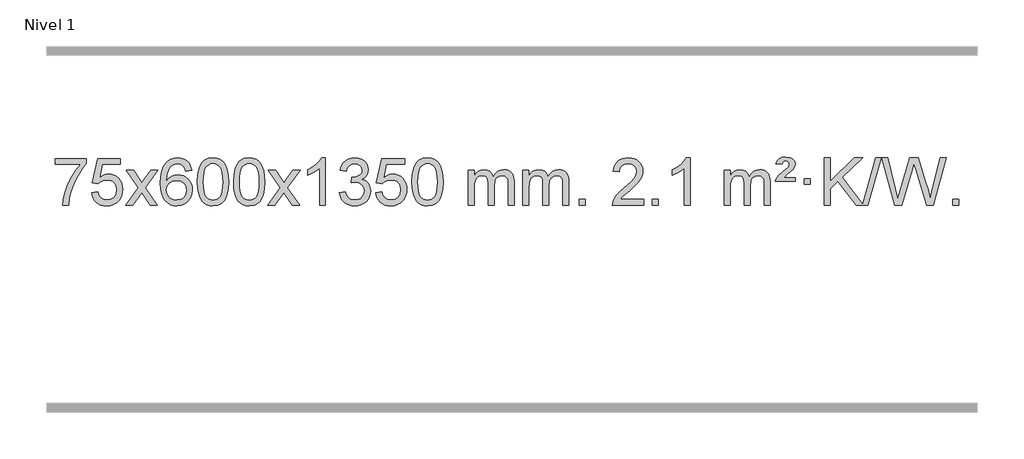
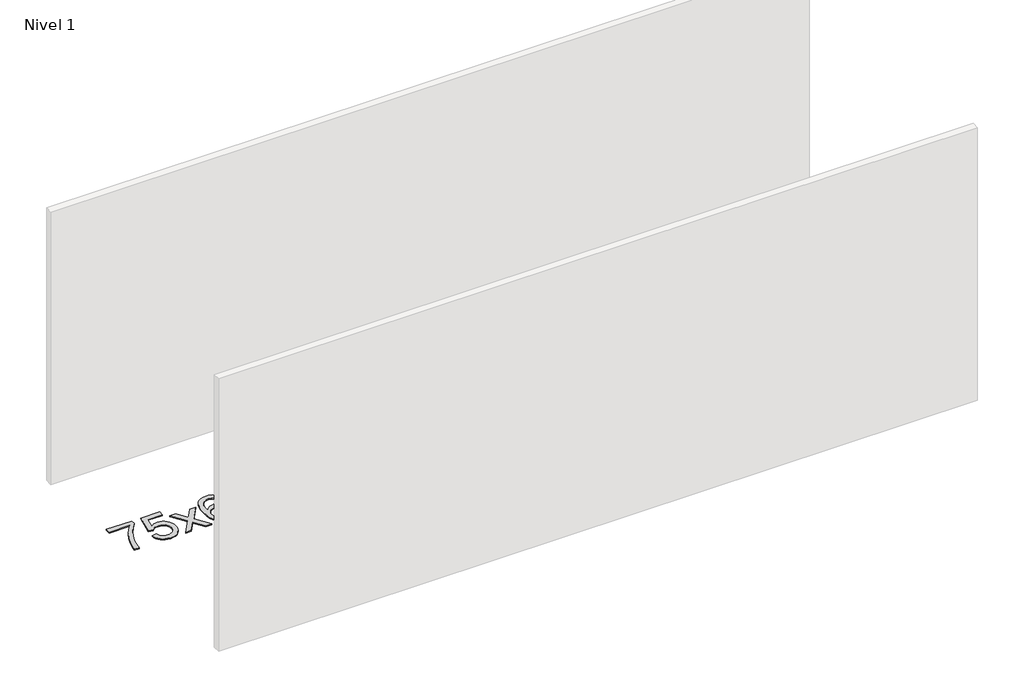
# One storey, part 11 of 16: 1 proxy.
"""IFC4 building model written with IfcOpenShell, lengths in millimetres."""

import ifcopenshell
import ifcopenshell.guid

model = None  # the IFC model being written
_history = None  # IfcOwnerHistory: only IFC2X3 demands one
_inside = {}  # id of a spatial element -> (the spatial element, [elements in it])
_under = {}  # id of a project, library or spatial element -> (it, [spatial elements below it])
_declared = {}  # id of a project -> (the project, [libraries it declares])
_typed = {}  # id of a type object -> (the type object, [elements of that type])
_made_of = {}  # id of a material, layer set ... -> (it, [elements and type objects made of it])


def new_model(schema):
    """Start an empty IFC model of exactly this schema.

    Asked for "IFC4X3", IfcOpenShell would pick the latest addendum, in which some entities
    have other attributes; the version numbers below select the first issue.
    IFC2X3 requires an IfcOwnerHistory on every rooted entity: one is made here for all.
    """
    global model, _history
    if schema == "IFC4X3":
        model = ifcopenshell.file(schema_version=(4, 3, 0, 0))
    else:
        model = ifcopenshell.file(schema=schema)
    _inside.clear()
    _under.clear()
    _declared.clear()
    _typed.clear()
    _made_of.clear()
    _history = None
    if model.schema == "IFC2X3":
        org = make("IfcOrganization", Name="unknown")
        user = make(
            "IfcPersonAndOrganization",
            ThePerson=make("IfcPerson", FamilyName="unknown"),
            TheOrganization=org,
        )
        app = make(
            "IfcApplication",
            ApplicationDeveloper=org,
            Version="unknown",
            ApplicationFullName="unknown",
            ApplicationIdentifier="unknown",
        )
        _history = make(
            "IfcOwnerHistory",
            OwningUser=user,
            OwningApplication=app,
            ChangeAction="ADDED",
            CreationDate=0,
        )
    return model


def make(cls, **values):
    """One entity of the class cls with the attributes given. An attribute that is None is left unset."""
    return model.create_entity(
        cls, **{name: value for name, value in values.items() if value is not None}
    )


def rooted(cls, **values):
    """An entity with a GlobalId (a new one), such as an element, a storey or a relation."""
    return make(cls, GlobalId=ifcopenshell.guid.new(), OwnerHistory=_history, **values)


def si_unit(unit_type, name, prefix=None):
    """IfcSIUnit, for example si_unit("LENGTHUNIT", "METRE", prefix="MILLI")."""
    return make("IfcSIUnit", UnitType=unit_type, Prefix=prefix, Name=name)


def assignment(units):
    """IfcUnitAssignment: the units of a project."""
    return None if units is None else make("IfcUnitAssignment", Units=units)


def point(xyz):
    """IfcCartesianPoint."""
    return None if xyz is None else make("IfcCartesianPoint", Coordinates=xyz)


def direction(xyz):
    """IfcDirection."""
    return None if xyz is None else make("IfcDirection", DirectionRatios=xyz)


def frame(location, z_axis=None, x_axis=None):
    """IfcAxis2Placement3D, a coordinate frame: its origin and axes. An axis left out is left unset."""
    return make(
        "IfcAxis2Placement3D",
        Location=point(location),
        Axis=direction(z_axis),
        RefDirection=direction(x_axis),
    )


def origin():
    """The frame at (0, 0, 0) with its axes left unset."""
    return frame((0.0, 0.0, 0.0))


def origin_with_axes():
    """The frame at (0, 0, 0) with the z axis (0, 0, 1) and the x axis (1, 0, 0) written out."""
    return frame((0.0, 0.0, 0.0), z_axis=(0.0, 0.0, 1.0), x_axis=(1.0, 0.0, 0.0))


def place(relative_to, where):
    """IfcLocalPlacement: puts the frame where relative to a parent placement (None: the world)."""
    return make(
        "IfcLocalPlacement", PlacementRelTo=relative_to, RelativePlacement=where
    )


def context(
    kind, dimensions, precision=None, world=None, true_north=None, identifier=None
):
    """IfcGeometricRepresentationContext, for example the 3D "Model" context."""
    return make(
        "IfcGeometricRepresentationContext",
        ContextIdentifier=identifier,
        ContextType=kind,
        CoordinateSpaceDimension=dimensions,
        Precision=precision,
        WorldCoordinateSystem=world,
        TrueNorth=true_north,
    )


def project(units=None, contexts=None):
    """IfcProject with its units and contexts."""
    return rooted(
        "IfcProject",
        Name="project",
        RepresentationContexts=contexts,
        UnitsInContext=assignment(units),
    )


def spatial(cls, under=None, at=None, **own):
    """A site, building, storey or space (cls), placed at a placement, below another one or the project."""
    s = rooted(cls, ObjectPlacement=at, **own)
    if under is not None:
        _under.setdefault(under.id(), (under, []))[1].append(s)
    return s


def polyline(points):
    """IfcPolyline through the points."""
    return make("IfcPolyline", Points=[point(p) for p in points])


def outline(outer, holes=None, kind="AREA"):
    """IfcArbitraryClosedProfileDef: a profile drawn as a closed curve; with holes, ...WithVoids."""
    if holes is None:
        return make("IfcArbitraryClosedProfileDef", ProfileType=kind, OuterCurve=outer)
    return make(
        "IfcArbitraryProfileDefWithVoids",
        ProfileType=kind,
        OuterCurve=outer,
        InnerCurves=holes,
    )


def extrude(swept, where, along, depth):
    """IfcExtrudedAreaSolid: the profile swept, set in the frame where, extruded along a direction by depth."""
    return make(
        "IfcExtrudedAreaSolid",
        SweptArea=swept,
        Position=where,
        ExtrudedDirection=direction(along),
        Depth=depth,
    )


def shape(context_of_items, identifier, shape_type, items):
    """IfcShapeRepresentation: the items that make up one representation, for example the "Body"."""
    return make(
        "IfcShapeRepresentation",
        ContextOfItems=context_of_items,
        RepresentationIdentifier=identifier,
        RepresentationType=shape_type,
        Items=items,
    )


def made_of(thing, what):
    """Note that an element or type object is made of a material, layer set ...; save() writes the relation."""
    if what is not None:
        _made_of.setdefault(what.id(), (what, []))[1].append(thing)
    return thing


def element(
    cls,
    number,
    at=None,
    inside=None,
    cuts=None,
    type_object=None,
    material=None,
    context=None,
    identifier="Body",
    shape_type=None,
    held_by="IfcProductDefinitionShape",
    body=None,
    shapes=None,
    **own,
):
    """One element of the class cls, such as IfcWall. Its Tag is "e" and its number.

    at: its placement. inside: the storey or other place that contains it. cuts: it is an
    opening in that element (IfcRelVoidsElement). A single representation is given by context,
    identifier, shape_type and body (its items); several are given by shapes. held_by: the class
    of the entity that holds the representations. save() writes the other relations.
    """
    e = rooted(cls, Tag="e%d" % number, ObjectPlacement=at, **own)
    if body is not None:
        shapes = [shape(context, identifier, shape_type, body)]
    if shapes is not None:
        e.Representation = make(held_by, Representations=shapes)
    if inside is not None:
        _inside.setdefault(inside.id(), (inside, []))[1].append(e)
    if cuts is not None:
        rooted(
            "IfcRelVoidsElement", RelatingBuildingElement=cuts, RelatedOpeningElement=e
        )
    if type_object is not None:
        _typed.setdefault(type_object.id(), (type_object, []))[1].append(e)
    return made_of(e, material)


def aggregate(whole, parts):
    """IfcRelAggregates: a whole, such as a stair, and the parts it consists of."""
    return rooted("IfcRelAggregates", RelatingObject=whole, RelatedObjects=parts)


def save(model, path):
    """Write the relations noted so far, then the file.

    IfcRelAggregates (storeys below a building ...), IfcRelContainedInSpatialStructure (elements
    in a storey), IfcRelDefinesByType, IfcRelAssociatesMaterial and IfcRelDeclares: one each for
    every whole, place, type object, material and project.
    """
    for whole, parts in _under.values():
        aggregate(whole, parts)
    for where, things in _inside.values():
        rooted(
            "IfcRelContainedInSpatialStructure",
            RelatedElements=things,
            RelatingStructure=where,
        )
    for kind, things in _typed.values():
        rooted("IfcRelDefinesByType", RelatedObjects=things, RelatingType=kind)
    for what, things in _made_of.values():
        rooted("IfcRelAssociatesMaterial", RelatedObjects=things, RelatingMaterial=what)
    for by, libraries in _declared.values():
        rooted("IfcRelDeclares", RelatingContext=by, RelatedDefinitions=libraries)
    model.write(path)


model = new_model("IFC4")

# Units and contexts
model_context = context("Model", 3, world=origin())
ifc_project = project(units=[si_unit("LENGTHUNIT", "METRE", prefix="MILLI")], contexts=[model_context])

# Site, building, storey
site = spatial("IfcSite", under=ifc_project)
building = spatial("IfcBuilding", under=site)
storey = spatial("IfcBuildingStorey", under=building, Name="Nivel 1", Elevation=0.0)

# Proxy
placement = place(None, origin())
element("IfcBuildingElementProxy", 1, Name="Texto de modelo 1", ObjectType="Texto de modelo 1", at=placement, inside=storey, context=model_context, shape_type="SweptSolid", body=[
    extrude(outline(polyline([(-156.1697105, -9075.2608869), (-156.1697105, -9025.0327318), (107.5281037, -9025.0327318), (107.5281037, -9065.646904), (69.9428265, -9113.214046), (32.7254313, -9173.7061088), (-0.1019054, -9241.6048623), (-24.5170071, -9311.3920768), (-36.4854347, -9363.6067947), (-43.1563615, -9420.579453), (-93.3845166, -9420.579453), (-87.9521258, -9368.8061935), (-73.420787, -9307.2717985), (-50.1829077, -9242.0463207), (-18.6308952, -9179.1998132), (18.2063553, -9122.3865704), (57.2999486, -9075.2608869), (-156.1697105, -9075.2608869)])), origin_with_axes(), (0.0, 0.0, 1.0), 10.0),
    extrude(outline(polyline([(151.4777394, -9313.8446235), (201.7058944, -9307.5661041), (210.9274698, -9337.7201649), (227.0161757, -9359.3148381), (249.8984358, -9372.3010725), (279.5006737, -9376.6298173), (298.6305374, -9375.1245668), (315.5040583, -9370.6088153), (330.1212362, -9363.0825628), (342.4820713, -9352.5458094), (352.3106519, -9339.519721), (359.3310666, -9324.5254641), (364.9473984, -9288.6324441), (359.6866859, -9254.8363514), (353.1107952, -9240.9181493), (343.9045483, -9228.9865099), (332.0372883, -9219.4154467), (317.4783583, -9212.5789729), (280.2854886, -9207.1097939), (255.9194378, -9209.2925604), (236.1887001, -9215.8408599), (220.431088, -9225.8717757), (207.9844138, -9238.5023908), (157.7562588, -9232.2238715), (201.7058944, -9025.0327318), (396.3399954, -9025.0327318), (396.3399954, -9075.2608869), (242.3200667, -9075.2608869), (220.8357582, -9185.919791), (238.561539, -9173.2155994), (256.7165155, -9164.1411769), (275.3006876, -9158.6965234), (294.3140554, -9156.8816388), (318.7751424, -9159.1318504), (341.2435352, -9165.882485), (361.7192339, -9177.1335427), (380.2022385, -9192.8850234), (395.5030638, -9212.1743027), (406.4322248, -9234.038756), (412.9897213, -9258.4783832), (415.1755535, -9285.4931844), (413.2073848, -9311.5147042), (407.3028788, -9335.7213394), (397.4620354, -9358.1130902), (383.6848547, -9378.6899565), (362.8136829, -9399.7634634), (338.4598948, -9414.8159684), (310.6234905, -9423.8474714), (279.30447, -9426.8579724), (253.3841177, -9424.9235262), (229.9714944, -9419.1201877), (209.0666, -9409.447957), (190.6694346, -9395.9068338), (175.3624779, -9379.1712688), (163.7282098, -9359.915712), (155.7666303, -9338.1401636), (151.4777394, -9313.8446235)])), origin_with_axes(), (0.0, 0.0, 1.0), 10.0),
    extrude(outline(polyline([(440.2896311, -9420.579453), (547.6130718, -9272.2494325), (446.5681504, -9125.4890419), (506.9988995, -9125.4890419), (555.7555266, -9196.122385), (578.5151594, -9229.4770192), (598.2336343, -9202.2047007), (653.7592901, -9125.4890419), (714.1900392, -9125.4890419), (608.0438209, -9272.2494325), (710.2659646, -9420.579453), (649.8352155, -9420.579453), (588.3253459, -9331.4048574), (577.0436314, -9315.1199477), (500.7203801, -9420.579453), (440.2896311, -9420.579453)])), origin_with_axes(), (0.0, 0.0, 1.0), 10.0),
    extrude(outline(polyline([(999.0778563, -9125.4890419), (948.8497012, -9131.7675613), (940.7562973, -9106.874213), (929.8179393, -9089.8780648), (907.0337811, -9074.2062918), (879.4916824, -9068.9823675), (856.1434384, -9072.0235253), (834.1686206, -9081.1469988), (815.2962742, -9100.3627017), (799.8820186, -9126.8134171), (789.4709581, -9164.227016), (785.6081972, -9216.3313693), (805.7558678, -9192.8237098), (829.9011894, -9176.2567573), (856.6952614, -9166.434308), (884.7891831, -9163.1601582), (908.922242, -9165.398107), (931.1913654, -9172.1119534), (951.5965534, -9183.3016975), (970.137806, -9198.9673391), (985.5459302, -9218.1769106), (996.5517332, -9239.9984443), (1003.155215, -9264.4319401), (1005.3563756, -9291.4773982), (1001.2115718, -9327.4439945), (988.7771604, -9360.786366), (969.0832109, -9389.0642287), (943.159793, -9409.8372987), (912.184129, -9422.602804), (877.3334413, -9426.8579724), (847.3909126, -9424.0375437), (820.3485203, -9415.5762579), (796.2062643, -9401.4741147), (774.9641448, -9381.7311143), (757.6460999, -9355.5133908), (745.2760678, -9321.9870783), (737.8540485, -9281.1521768), (735.3800421, -9233.0086864), (738.1268943, -9179.0342663), (746.367451, -9132.9693092), (760.1017122, -9094.8138149), (779.3296778, -9064.5677835), (800.1701928, -9044.5243462), (824.3339085, -9030.2076052), (851.820825, -9021.6175606), (882.6309421, -9018.7542124), (905.7645882, -9020.5261773), (926.7032051, -9025.8420722), (945.4467927, -9034.7018969), (961.9953511, -9047.1056515), (975.9012906, -9062.6364031), (986.7170212, -9080.8772186), (994.4425431, -9101.8280983), (999.0778563, -9125.4890419)]), holes=[polyline([(785.6081972, -9290.6925832), (788.514465, -9312.9494439), (797.2332682, -9334.2007605), (810.7713257, -9352.472233), (828.1353558, -9365.7895612), (849.0923668, -9373.9197533), (873.4093667, -9376.6298173), (906.5555345, -9371.0134855), (920.4706709, -9363.9930708), (932.6138425, -9354.1644901), (942.4638829, -9341.9262824), (949.499626, -9327.6769865), (955.1282206, -9293.1451299), (949.5732024, -9259.9989621), (942.6294298, -9246.3781312), (932.9081481, -9234.725469), (920.7281883, -9225.3904634), (906.4083817, -9218.7226022), (871.3492275, -9213.3883133), (838.2521107, -9218.7226022), (810.5751219, -9234.725469), (799.6520924, -9246.2248471), (791.8499284, -9259.3858254), (787.16863, -9274.2084042), (785.6081972, -9290.6925832)])]), origin_with_axes(), (0.0, 0.0, 1.0), 10.0),
    extrude(outline(polyline([(1049.3060113, -9222.9041943), (1052.997094, -9158.5861588), (1064.0703421, -9107.2911459), (1082.4153909, -9068.2343407), (1094.2734539, -9053.0009605), (1107.9218759, -9040.6309284), (1123.4066422, -9031.0598651), (1140.7737381, -9024.2233914), (1181.1549184, -9018.7542124), (1212.1060569, -9021.991574), (1239.8198339, -9031.7036586), (1262.9963996, -9047.5103217), (1280.3359043, -9069.0314184), (1293.4325033, -9096.0830078), (1303.880352, -9128.4811488), (1310.7229571, -9169.6226186), (1313.0038255, -9222.9041943), (1309.349531, -9286.8543477), (1298.3866475, -9338.0267333), (1280.1519633, -9377.1203266), (1268.3214915, -9392.3996922), (1254.6822665, -9404.8341036), (1239.1791061, -9414.4695462), (1221.7568279, -9421.3520052), (1181.1549184, -9426.8579724), (1153.4901924, -9424.4667394), (1128.964726, -9417.2930405), (1107.5785194, -9405.3368757), (1089.3315724, -9388.5982449), (1071.8203894, -9358.3399508), (1059.3124016, -9320.6381776), (1051.8076089, -9275.4929255), (1049.3060113, -9222.9041943)]), holes=[polyline([(1099.5341664, -9222.8060924), (1101.0056944, -9266.4706195), (1105.4202783, -9301.8148822), (1112.7779182, -9328.8388804), (1123.0786141, -9347.5426142), (1135.537551, -9360.2682656), (1149.369914, -9369.3580165), (1164.5757032, -9374.8118671), (1181.1549184, -9376.6298173), (1197.7341337, -9374.8057357), (1212.9399228, -9369.3334911), (1226.7722858, -9360.2130833), (1239.2312227, -9347.4445124), (1249.5319186, -9328.7101217), (1256.8895585, -9301.6922549), (1261.3041424, -9266.3909118), (1262.7756704, -9222.8060924), (1261.3531934, -9180.2973278), (1257.0857622, -9145.5753989), (1249.973377, -9118.6403055), (1240.0160376, -9099.4920476), (1227.7655672, -9086.1440625), (1213.7737886, -9076.6097875), (1198.040702, -9070.8892225), (1180.5663072, -9068.9823675), (1164.0729311, -9070.6623619), (1149.1246594, -9075.7023452), (1135.721492, -9084.1023175), (1123.863429, -9095.8622786), (1113.2193766, -9116.708925), (1105.6164821, -9144.8151094), (1101.0547453, -9180.1808319), (1099.5341664, -9222.8060924)])]), origin_with_axes(), (0.0, 0.0, 1.0), 10.0),
    extrude(outline(polyline([(1356.9534612, -9222.9041943), (1360.6445439, -9158.5861588), (1371.7177919, -9107.2911459), (1390.0628407, -9068.2343407), (1401.9209037, -9053.0009605), (1415.5693257, -9040.6309284), (1431.054092, -9031.0598651), (1448.4211879, -9024.2233914), (1488.8023682, -9018.7542124), (1519.7535068, -9021.991574), (1547.4672837, -9031.7036586), (1570.6438494, -9047.5103217), (1587.9833541, -9069.0314184), (1601.0799532, -9096.0830078), (1611.5278018, -9128.4811488), (1618.3704069, -9169.6226186), (1620.6512753, -9222.9041943), (1616.9969808, -9286.8543477), (1606.0340974, -9338.0267333), (1587.7994131, -9377.1203266), (1575.9689413, -9392.3996922), (1562.3297163, -9404.8341036), (1546.8265559, -9414.4695462), (1529.4042778, -9421.3520052), (1488.8023682, -9426.8579724), (1461.1376422, -9424.4667394), (1436.6121759, -9417.2930405), (1415.2259692, -9405.3368757), (1396.9790222, -9388.5982449), (1379.4678393, -9358.3399508), (1366.9598514, -9320.6381776), (1359.4550587, -9275.4929255), (1356.9534612, -9222.9041943)]), holes=[polyline([(1407.1816162, -9222.8060924), (1408.6531442, -9266.4706195), (1413.0677282, -9301.8148822), (1420.4253681, -9328.8388804), (1430.7260639, -9347.5426142), (1443.1850008, -9360.2682656), (1457.0173639, -9369.3580165), (1472.223153, -9374.8118671), (1488.8023682, -9376.6298173), (1505.3815835, -9374.8057357), (1520.5873726, -9369.3334911), (1534.4197356, -9360.2130833), (1546.8786725, -9347.4445124), (1557.1793684, -9328.7101217), (1564.5370083, -9301.6922549), (1568.9515923, -9266.3909118), (1570.4231202, -9222.8060924), (1569.0006432, -9180.2973278), (1564.733212, -9145.5753989), (1557.6208268, -9118.6403055), (1547.6634875, -9099.4920476), (1535.413017, -9086.1440625), (1521.4212385, -9076.6097875), (1505.6881518, -9070.8892225), (1488.213757, -9068.9823675), (1471.7203809, -9070.6623619), (1456.7721092, -9075.7023452), (1443.3689418, -9084.1023175), (1431.5108789, -9095.8622786), (1420.8668265, -9116.708925), (1413.2639319, -9144.8151094), (1408.7021952, -9180.1808319), (1407.1816162, -9222.8060924)])]), origin_with_axes(), (0.0, 0.0, 1.0), 10.0),
    extrude(outline(polyline([(1645.7653528, -9420.579453), (1753.0887936, -9272.2494325), (1652.0438722, -9125.4890419), (1712.4746213, -9125.4890419), (1761.2312484, -9196.122385), (1783.9908812, -9229.4770192), (1803.7093561, -9202.2047007), (1859.2350119, -9125.4890419), (1919.665761, -9125.4890419), (1813.5195426, -9272.2494325), (1915.7416864, -9420.579453), (1855.3109373, -9420.579453), (1793.8010677, -9331.4048574), (1782.5193532, -9315.1199477), (1706.1961019, -9420.579453), (1645.7653528, -9420.579453)])), origin_with_axes(), (0.0, 0.0, 1.0), 10.0),
    extrude(outline(polyline([(2135.4898648, -9420.579453), (2085.2617098, -9420.579453), (2085.2617098, -9107.4382987), (2064.292436, -9124.3976587), (2037.682305, -9141.3324932), (1984.8053996, -9166.6918254), (1984.8053996, -9119.2105225), (2024.2546122, -9097.7507395), (2058.4308496, -9072.219729), (2085.3720743, -9045.0700378), (2103.1162492, -9018.7542124), (2135.4898648, -9018.7542124), (2135.4898648, -9420.579453)])), origin_with_axes(), (0.0, 0.0, 1.0), 10.0),
    extrude(outline(polyline([(2254.7817331, -9313.8446235), (2305.0098882, -9307.5661041), (2316.2548145, -9339.1303793), (2332.7236652, -9360.4430095), (2355.2257805, -9372.5831154), (2384.570501, -9376.6298173), (2419.0042558, -9371.0625364), (2433.2780772, -9364.1034354), (2445.5898613, -9354.3606939), (2462.5860095, -9329.4428201), (2468.2513922, -9299.2274455), (2462.6350604, -9270.5449126), (2445.786065, -9247.2825078), (2420.27958, -9231.8682522), (2388.6907794, -9226.730167), (2353.4722097, -9232.2238715), (2359.064016, -9181.9957164), (2367.108369, -9182.5843276), (2397.2011162, -9178.979084), (2424.1055528, -9168.1633534), (2435.1788008, -9159.9841103), (2443.0882637, -9149.8673555), (2447.8339415, -9137.8130888), (2449.415834, -9123.8213102), (2444.8295718, -9102.1285352), (2431.0707852, -9084.5315131), (2410.076986, -9072.8696539), (2383.7856861, -9068.9823675), (2357.4453352, -9072.9064421), (2335.9119758, -9084.6786659), (2320.1911519, -9104.299039), (2311.2884076, -9131.7675613), (2261.0602525, -9125.4890419), (2267.0138095, -9101.5092672), (2275.8491087, -9080.3867093), (2287.5661503, -9062.1213683), (2302.1649341, -9046.713244), (2319.1856078, -9034.4811677), (2338.1683187, -9025.7439703), (2359.113067, -9020.5016519), (2382.0198525, -9018.7542124), (2413.5963904, -9022.2000404), (2442.5977544, -9032.5375245), (2467.0496443, -9048.8469596), (2484.9777602, -9070.2086408), (2495.9774319, -9094.8199463), (2499.6439891, -9120.8782543), (2496.1613729, -9145.1584659), (2485.7135242, -9167.1823347), (2468.4475959, -9185.9443165), (2444.5107408, -9200.4388671), (2475.9523886, -9213.1430586), (2499.2515817, -9234.77452), (2513.6725559, -9264.1560286), (2518.4795473, -9300.1103623), (2516.0760516, -9325.5923218), (2508.8655645, -9349.0631931), (2496.848086, -9370.5229762), (2480.023616, -9389.971671), (2459.5264575, -9406.1094278), (2436.4909133, -9417.636397), (2410.9169832, -9424.5525785), (2382.8046674, -9426.8579724), (2357.3962843, -9424.8898037), (2334.2442441, -9418.9852977), (2313.3485468, -9409.1444543), (2294.7091923, -9395.3672736), (2279.0803389, -9378.4630959), (2267.2161446, -9359.2412617), (2259.1166093, -9337.7017708), (2254.7817331, -9313.8446235)])), origin_with_axes(), (0.0, 0.0, 1.0), 10.0),
    extrude(outline(polyline([(2562.429183, -9313.8446235), (2612.657338, -9307.5661041), (2621.8789134, -9337.7201649), (2637.9676193, -9359.3148381), (2660.8498794, -9372.3010725), (2690.4521173, -9376.6298173), (2709.581981, -9375.1245668), (2726.4555019, -9370.6088153), (2741.0726798, -9363.0825628), (2753.4335149, -9352.5458094), (2763.2620955, -9339.519721), (2770.2825102, -9324.5254641), (2775.898842, -9288.6324441), (2770.6381295, -9254.8363514), (2764.0622388, -9240.9181493), (2754.8559919, -9228.9865099), (2742.9887319, -9219.4154467), (2728.4298019, -9212.5789729), (2691.2369322, -9207.1097939), (2666.8708814, -9209.2925604), (2647.1401437, -9215.8408599), (2631.3825316, -9225.8717757), (2618.9358574, -9238.5023908), (2568.7077023, -9232.2238715), (2612.657338, -9025.0327318), (2807.291439, -9025.0327318), (2807.291439, -9075.2608869), (2653.2715103, -9075.2608869), (2631.7872018, -9185.919791), (2649.5129826, -9173.2155994), (2667.667959, -9164.1411769), (2686.2521312, -9158.6965234), (2705.265499, -9156.8816388), (2729.726586, -9159.1318504), (2752.1949788, -9165.882485), (2772.6706775, -9177.1335427), (2791.1536821, -9192.8850234), (2806.4545074, -9212.1743027), (2817.3836684, -9234.038756), (2823.9411649, -9258.4783832), (2826.1269971, -9285.4931844), (2824.1588284, -9311.5147042), (2818.2543224, -9335.7213394), (2808.413479, -9358.1130902), (2794.6362983, -9378.6899565), (2773.7651265, -9399.7634634), (2749.4113384, -9414.8159684), (2721.5749341, -9423.8474714), (2690.2559136, -9426.8579724), (2664.3355613, -9424.9235262), (2640.922938, -9419.1201877), (2620.0180436, -9409.447957), (2601.6208782, -9395.9068338), (2586.3139215, -9379.1712688), (2574.6796534, -9359.915712), (2566.7180739, -9338.1401636), (2562.429183, -9313.8446235)])), origin_with_axes(), (0.0, 0.0, 1.0), 10.0),
    extrude(outline(polyline([(2870.0766328, -9222.9041943), (2873.7677155, -9158.5861588), (2884.8409635, -9107.2911459), (2903.1860124, -9068.2343407), (2915.0440753, -9053.0009605), (2928.6924974, -9040.6309284), (2944.1772637, -9031.0598651), (2961.5443595, -9024.2233914), (3001.9255399, -9018.7542124), (3032.8766784, -9021.991574), (3060.5904554, -9031.7036586), (3083.7670211, -9047.5103217), (3101.1065258, -9069.0314184), (3114.2031248, -9096.0830078), (3124.6509735, -9128.4811488), (3131.4935786, -9169.6226186), (3133.7744469, -9222.9041943), (3130.1201525, -9286.8543477), (3119.157269, -9338.0267333), (3100.9225848, -9377.1203266), (3089.0921129, -9392.3996922), (3075.452888, -9404.8341036), (3059.9497276, -9414.4695462), (3042.5274494, -9421.3520052), (3001.9255399, -9426.8579724), (2974.2608138, -9424.4667394), (2949.7353475, -9417.2930405), (2928.3491408, -9405.3368757), (2910.1021939, -9388.5982449), (2892.5910109, -9358.3399508), (2880.0830231, -9320.6381776), (2872.5782304, -9275.4929255), (2870.0766328, -9222.9041943)]), holes=[polyline([(2920.3047879, -9222.8060924), (2921.7763158, -9266.4706195), (2926.1908998, -9301.8148822), (2933.5485397, -9328.8388804), (2943.8492356, -9347.5426142), (2956.3081725, -9360.2682656), (2970.1405355, -9369.3580165), (2985.3463246, -9374.8118671), (3001.9255399, -9376.6298173), (3018.5047551, -9374.8057357), (3033.7105442, -9369.3334911), (3047.5429073, -9360.2130833), (3060.0018442, -9347.4445124), (3070.30254, -9328.7101217), (3077.6601799, -9301.6922549), (3082.0747639, -9266.3909118), (3083.5462919, -9222.8060924), (3082.1238148, -9180.2973278), (3077.8563837, -9145.5753989), (3070.7439984, -9118.6403055), (3060.7866591, -9099.4920476), (3048.5361887, -9086.1440625), (3034.5444101, -9076.6097875), (3018.8113234, -9070.8892225), (3001.3369287, -9068.9823675), (2984.8435526, -9070.6623619), (2969.8952808, -9075.7023452), (2956.4921135, -9084.1023175), (2944.6340505, -9095.8622786), (2933.9899981, -9116.708925), (2926.3871035, -9144.8151094), (2921.8253668, -9180.1808319), (2920.3047879, -9222.8060924)])]), origin_with_axes(), (0.0, 0.0, 1.0), 10.0),
    extrude(outline(polyline([(3347.244106, -9420.579453), (3347.244106, -9125.4890419), (3397.4722611, -9125.4890419), (3397.4722611, -9174.0494653), (3412.5799483, -9151.7435537), (3432.0041177, -9134.2691589), (3455.0825815, -9122.9751816), (3481.1531522, -9119.2105225), (3509.0876584, -9123.048758), (3531.4794092, -9134.5634645), (3548.2057772, -9152.9943524), (3559.1441352, -9177.5811324), (3577.4523959, -9152.0439906), (3598.3358304, -9133.803175), (3621.794439, -9122.8586857), (3647.8282215, -9119.2105225), (3667.9360383, -9120.7280358), (3685.585177, -9125.2805755), (3700.7756377, -9132.8681416), (3713.5074204, -9143.4907342), (3723.5720587, -9157.2709806), (3730.761086, -9174.3315082), (3735.0745024, -9194.6723168), (3736.5123078, -9218.2934066), (3736.5123078, -9420.579453), (3686.2841528, -9420.579453), (3686.2841528, -9239.875817), (3685.1191931, -9214.8230531), (3681.6243142, -9197.9372695), (3675.0760146, -9186.3735121), (3664.7507933, -9177.2868268), (3651.4702533, -9171.4007149), (3636.0559977, -9169.4386776), (3608.8449928, -9174.4663982), (3586.6617085, -9189.54956), (3578.0563355, -9201.1194488), (3571.9096405, -9215.7182326), (3566.9922845, -9254.0024856), (3566.9922845, -9420.579453), (3516.7641294, -9420.579453), (3516.7641294, -9234.2840106), (3513.8578616, -9205.8835206), (3505.1390583, -9185.6254854), (3489.7983791, -9173.4853796), (3467.0264836, -9169.4386776), (3447.6758907, -9172.1364789), (3429.8458767, -9180.2298828), (3415.1305968, -9193.5226856), (3405.1242066, -9211.8186835), (3399.3852475, -9237.2025411), (3397.4722611, -9271.7589232), (3397.4722611, -9420.579453), (3347.244106, -9420.579453)])), origin_with_axes(), (0.0, 0.0, 1.0), 10.0),
    extrude(outline(polyline([(3811.8545404, -9420.579453), (3811.8545404, -9125.4890419), (3862.0826955, -9125.4890419), (3862.0826955, -9174.0494653), (3877.1903828, -9151.7435537), (3896.6145521, -9134.2691589), (3919.693016, -9122.9751816), (3945.7635867, -9119.2105225), (3973.6980929, -9123.048758), (3996.0898436, -9134.5634645), (4012.8162117, -9152.9943524), (4023.7545697, -9177.5811324), (4042.0628303, -9152.0439906), (4062.9462649, -9133.803175), (4086.4048734, -9122.8586857), (4112.438656, -9119.2105225), (4132.5464727, -9120.7280358), (4150.1956114, -9125.2805755), (4165.3860721, -9132.8681416), (4178.1178548, -9143.4907342), (4188.1824931, -9157.2709806), (4195.3715204, -9174.3315082), (4199.6849368, -9194.6723168), (4201.1227423, -9218.2934066), (4201.1227423, -9420.579453), (4150.8945872, -9420.579453), (4150.8945872, -9239.875817), (4149.7296276, -9214.8230531), (4146.2347486, -9197.9372695), (4139.6864491, -9186.3735121), (4129.3612278, -9177.2868268), (4116.0806877, -9171.4007149), (4100.6664321, -9169.4386776), (4073.4554272, -9174.4663982), (4051.2721429, -9189.54956), (4042.6667699, -9201.1194488), (4036.5200749, -9215.7182326), (4031.6027189, -9254.0024856), (4031.6027189, -9420.579453), (3981.3745638, -9420.579453), (3981.3745638, -9234.2840106), (3978.4682961, -9205.8835206), (3969.7494928, -9185.6254854), (3954.4088136, -9173.4853796), (3931.6369181, -9169.4386776), (3912.2863251, -9172.1364789), (3894.4563111, -9180.2298828), (3879.7410313, -9193.5226856), (3869.734641, -9211.8186835), (3863.9956819, -9237.2025411), (3862.0826955, -9271.7589232), (3862.0826955, -9420.579453), (3811.8545404, -9420.579453)])), origin_with_axes(), (0.0, 0.0, 1.0), 10.0),
    extrude(outline(polyline([(4289.0220137, -9420.579453), (4289.0220137, -9370.3512979), (4339.2501687, -9370.3512979), (4339.2501687, -9420.579453), (4289.0220137, -9420.579453)])), origin_with_axes(), (0.0, 0.0, 1.0), 10.0),
    extrude(outline(polyline([(4835.2532001, -9370.3512979), (4835.2532001, -9420.579453), (4571.555386, -9420.579453), (4572.6590319, -9402.8965918), (4576.9509885, -9385.9494945), (4589.3363491, -9358.8856424), (4607.4606687, -9332.6311307), (4633.6783922, -9305.1503456), (4670.3439644, -9274.4076736), (4724.545245, -9226.2641831), (4757.0660134, -9190.7267824), (4773.3263976, -9161.884834), (4778.7465256, -9133.8277005), (4773.6329659, -9108.6768347), (4758.2922867, -9087.7688747), (4734.7110508, -9073.6789943), (4704.875821, -9068.9823675), (4673.5445377, -9073.5686297), (4649.2030124, -9087.3274163), (4633.4944512, -9109.1796068), (4628.0620604, -9138.0460807), (4577.8339053, -9131.7675613), (4582.1534531, -9105.838012), (4590.0107994, -9083.1826125), (4601.4059442, -9063.8013627), (4616.3388875, -9047.6942627), (4634.4662728, -9035.0329907), (4655.4447436, -9025.989225), (4679.2742998, -9020.5629655), (4705.9549415, -9018.7542124), (4732.8747065, -9020.7653006), (4756.8330215, -9026.7985654), (4777.8298863, -9036.8540066), (4795.8653011, -9050.9316242), (4810.3506547, -9067.9890861), (4820.6973358, -9086.9840598), (4826.9053445, -9107.9165453), (4828.9746807, -9130.7865427), (4826.7428633, -9154.8092369), (4820.047411, -9178.4149983), (4808.1648225, -9202.4254299), (4790.3715967, -9227.6621347), (4762.0078949, -9257.7916701), (4718.4138784, -9296.4805933), (4660.6318797, -9344.795762), (4637.9703488, -9370.3512979), (4835.2532001, -9370.3512979)])), origin_with_axes(), (0.0, 0.0, 1.0), 10.0),
    extrude(outline(polyline([(4910.5954327, -9420.579453), (4910.5954327, -9370.3512979), (4960.8235878, -9370.3512979), (4960.8235878, -9420.579453), (4910.5954327, -9420.579453)])), origin_with_axes(), (0.0, 0.0, 1.0), 10.0),
    extrude(outline(polyline([(5230.7999213, -9420.579453), (5180.5717662, -9420.579453), (5180.5717662, -9107.4382987), (5159.6024925, -9124.3976587), (5132.9923615, -9141.3324932), (5080.1154561, -9166.6918254), (5080.1154561, -9119.2105225), (5119.5646687, -9097.7507395), (5153.7409061, -9072.219729), (5180.6821308, -9045.0700378), (5198.4263057, -9018.7542124), (5230.7999213, -9018.7542124), (5230.7999213, -9420.579453)])), origin_with_axes(), (0.0, 0.0, 1.0), 10.0),
    extrude(outline(polyline([(5519.611813, -9420.579453), (5519.611813, -9125.4890419), (5569.8399681, -9125.4890419), (5569.8399681, -9174.0494653), (5584.9476553, -9151.7435537), (5604.3718247, -9134.2691589), (5627.4502885, -9122.9751816), (5653.5208592, -9119.2105225), (5681.4553654, -9123.048758), (5703.8471162, -9134.5634645), (5720.5734842, -9152.9943524), (5731.5118422, -9177.5811324), (5749.8201028, -9152.0439906), (5770.7035374, -9133.803175), (5794.162146, -9122.8586857), (5820.1959285, -9119.2105225), (5840.3037452, -9120.7280358), (5857.952884, -9125.2805755), (5873.1433447, -9132.8681416), (5885.8751274, -9143.4907342), (5895.9397656, -9157.2709806), (5903.128793, -9174.3315082), (5907.4422094, -9194.6723168), (5908.8800148, -9218.2934066), (5908.8800148, -9420.579453), (5858.6518597, -9420.579453), (5858.6518597, -9239.875817), (5857.4869001, -9214.8230531), (5853.9920211, -9197.9372695), (5847.4437216, -9186.3735121), (5837.1185003, -9177.2868268), (5823.8379603, -9171.4007149), (5808.4237047, -9169.4386776), (5781.2126998, -9174.4663982), (5759.0294155, -9189.54956), (5750.4240424, -9201.1194488), (5744.2773474, -9215.7182326), (5739.3599914, -9254.0024856), (5739.3599914, -9420.579453), (5689.1318364, -9420.579453), (5689.1318364, -9234.2840106), (5686.2255686, -9205.8835206), (5677.5067653, -9185.6254854), (5662.1660861, -9173.4853796), (5639.3941906, -9169.4386776), (5620.0435977, -9172.1364789), (5602.2135836, -9180.2298828), (5587.4983038, -9193.5226856), (5577.4919136, -9211.8186835), (5571.7529544, -9237.2025411), (5569.8399681, -9271.7589232), (5569.8399681, -9420.579453), (5519.611813, -9420.579453)])), origin_with_axes(), (0.0, 0.0, 1.0), 10.0),
    extrude(outline(polyline([(5952.8296505, -9219.6668327), (5956.6556233, -9203.8479069), (5964.9942818, -9187.9799302), (5986.5031158, -9162.8413272), (6018.4597984, -9135.1030247), (6062.6056379, -9097.726214), (6069.7425486, -9086.1992448), (6072.1215188, -9074.3779701), (6070.2330579, -9062.2869152), (6064.5676752, -9052.5012541), (6055.198947, -9046.026531), (6042.2004499, -9043.8682899), (6029.7660384, -9045.4869707), (6020.9123451, -9050.343013), (6014.4866729, -9059.8098431), (6009.336325, -9075.2608869), (5959.1081699, -9068.9823675), (5969.948426, -9043.7701881), (5986.5766922, -9026.2099542), (6010.3418691, -9015.9092583), (6042.5928573, -9012.475693), (6078.3755127, -9016.6082341), (6103.1217083, -9029.0058573), (6117.5426825, -9047.3386434), (6122.3496739, -9069.2766731), (6118.253921, -9092.1834586), (6105.9666624, -9113.8149199), (6085.438847, -9133.6314968), (6048.9694786, -9161.6886303), (6023.3648917, -9188.2742358), (6122.3496739, -9188.2742358), (6122.3496739, -9219.6668327), (5952.8296505, -9219.6668327)])), origin_with_axes(), (0.0, 0.0, 1.0), 10.0),
    extrude(outline(polyline([(6197.6919065, -9244.7809102), (6197.6919065, -9194.5527552), (6247.9200616, -9194.5527552), (6247.9200616, -9244.7809102), (6197.6919065, -9244.7809102)])), origin_with_axes(), (0.0, 0.0, 1.0), 10.0),
    extrude(outline(polyline([(6638.5616895, -9420.579453), (6485.1303721, -9217.9009991), (6417.440085, -9282.4520265), (6417.440085, -9420.579453), (6367.2119299, -9420.579453), (6367.2119299, -9018.7542124), (6417.440085, -9018.7542124), (6417.440085, -9215.4484525), (6623.4540023, -9018.7542124), (6693.6949379, -9018.7542124), (6520.7413492, -9183.9577537), (6695.3949591, -9414.5349332), (6806.7082868, -9018.7542124), (6852.0313486, -9018.7542124), (6739.0179997, -9420.579453), (6699.9734572, -9420.579453), (6693.6949379, -9420.579453), (6638.5616895, -9420.579453)])), origin_with_axes(), (0.0, 0.0, 1.0), 10.0),
    extrude(outline(polyline([(6966.5162255, -9420.579453), (6856.9364419, -9018.7542124), (6908.7342268, -9018.7542124), (6972.3042355, -9282.844434), (6991.9246086, -9364.3670841), (7012.9184078, -9292.2622131), (7092.5771225, -9018.7542124), (7167.2326421, -9018.7542124), (7225.1127426, -9217.0180823), (7249.9079891, -9290.5944814), (7268.1794615, -9364.3670841), (7287.2112234, -9285.1988788), (7351.3698434, -9018.7542124), (7403.1676283, -9018.7542124), (7293.4897428, -9420.579453), (7239.8280224, -9420.579453), (7143.4919906, -9110.5775584), (7130.0520351, -9067.3146358), (7114.9443478, -9119.4067263), (7027.1431783, -9420.579453), (6966.5162255, -9420.579453)])), origin_with_axes(), (0.0, 0.0, 1.0), 10.0),
    extrude(outline(polyline([(7459.6743028, -9420.579453), (7459.6743028, -9370.3512979), (7509.9024578, -9370.3512979), (7509.9024578, -9420.579453), (7459.6743028, -9420.579453)])), origin_with_axes(), (0.0, 0.0, 1.0), 10.0),
])

save(model, "model.ifc")
